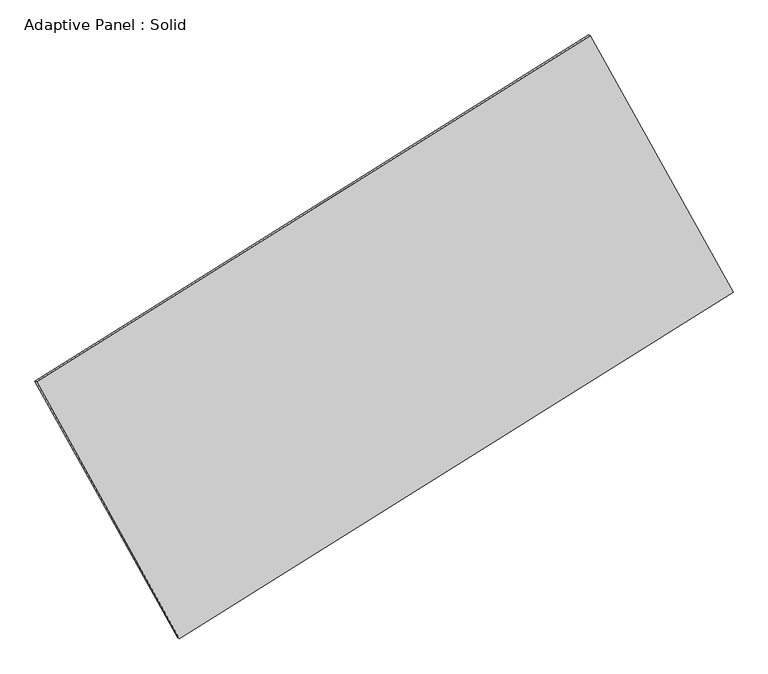
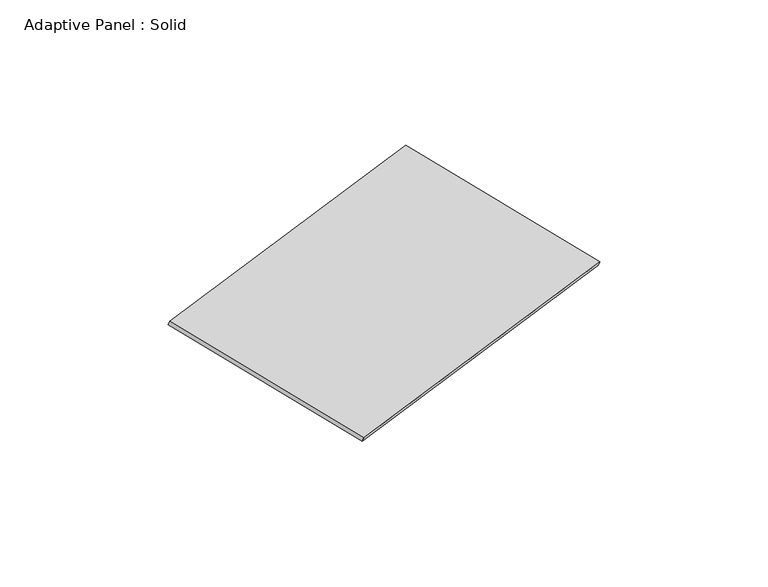
"""IFC4 building model written with IfcOpenShell, lengths in millimetres: plate geometry, Adaptive Panel : Solid."""

from ifc_helpers import new_model, si_unit, frame, origin, place, context, project, spatial, polyline, outline, extrude, source, transform, mapped, element, save


def adaptive_panel_solid_19089944(model_context):
    return source(origin(), model_context, "Body", "SweptSolid", [
        extrude(outline(polyline([(-1345.5681771, 2941.7412511), (1346.1612185, 2941.7412511), (1345.5681498, -2942.0125713), (-1346.1611911, -2941.4699311), (-1345.5681771, 2941.7412511)])), frame((-650.8226445, -100.0621432, 871.2806301), z_axis=(0.29332711661117605, -0.12760186928687112, 0.9474581603506669), x_axis=(0.46942912574950973, -0.8441245609904193, -0.2590174153040351)), (0.0, 0.0, 1.0), 50.0),
    ])


if __name__ == "__main__":
    model = new_model("IFC4")
    model_context = context("Model", 3, world=origin())
    ifc_project = project(units=[si_unit("LENGTHUNIT", "METRE", prefix="MILLI")], contexts=[model_context])
    site = spatial("IfcSite", under=ifc_project)
    building = spatial("IfcBuilding", under=site)
    placement = place(None, origin())
    adaptive_panel_solid_shape = adaptive_panel_solid_19089944(model_context)
    element("IfcPlate", 1, ObjectType="Adaptive Panel : Solid", at=placement, inside=building, context=model_context, shape_type="MappedRepresentation", body=[
        mapped(adaptive_panel_solid_shape, transform((0.0, 0.0, 0.0), x_axis=(1.0, 0.0, 0.0), y_axis=(0.0, 1.0, 0.0), z_axis=(0.0, 0.0, 1.0))),
    ])
    save(model, "model.ifc")
